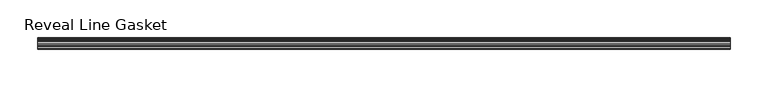
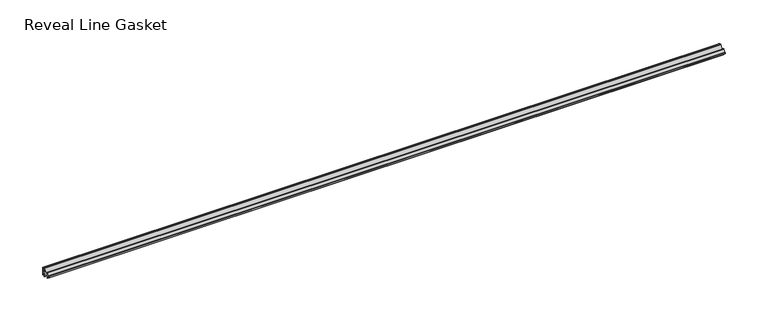
"""IFC4 building model written with IfcOpenShell, lengths in millimetres: furniture geometry, Reveal Line Gasket."""

from ifc_helpers import new_model, si_unit, point, frame, frame_2d, origin, place, context, project, spatial, polyline, circle_curve, trimmed, segment, composite_curve, outline, extrude, source, transform, mapped, element, save


def reveal_line_gasket_807b9065(model_context):
    return source(origin(), model_context, "Body", "SweptSolid", [
        extrude(outline(composite_curve([segment(polyline([(7.6326998, 1603.2), (7.6326998, 1597.2), (7.4091917, 1596.2445073), (6.8813059, 1595.3115316)]), True, "CONTINUOUS"), segment(trimmed(circle_curve(frame_2d((6.5243141, 1595.5135207)), 0.4101739), [point((6.8813059, 1595.3115316))], [point((6.1246704, 1595.6058653))], False, "CARTESIAN"), True, "CONTINUOUS"), segment(polyline([(6.1246704, 1595.6058653), (6.3626997, 1597.3020914), (6.3626997, 1599.3345473)]), True, "CONTINUOUS"), segment(trimmed(circle_curve(frame_2d((5.6959605, 1598.9180742)), 0.786124), [point((6.3626997, 1599.3345473))], [point((5.0926996, 1599.422125))], True, "CARTESIAN"), True, "CONTINUOUS"), segment(polyline([(5.0926996, 1599.422125), (0.7492996, 1599.422125), (3.7293824, 1594.2604705)]), True, "CONTINUOUS"), segment(trimmed(circle_curve(frame_2d((3.3132479, 1594.1950239)), 0.4212495), [point((3.7293824, 1594.2604705))], [point((3.0485022, 1593.8673642))], False, "CARTESIAN"), True, "CONTINUOUS"), segment(polyline([(3.0485022, 1593.8673642), (-0.5742594, 1599.422125), (-4.8262978, 1599.422125), (-3.1660374, 1596.5464703)]), True, "CONTINUOUS"), segment(trimmed(circle_curve(frame_2d((-3.5978728, 1596.4881145)), 0.4357605), [point((-3.1660374, 1596.5464703))], [point((-3.864328, 1596.1433119))], False, "CARTESIAN"), True, "CONTINUOUS"), segment(polyline([(-3.864328, 1596.1433119), (-6.1944059, 1599.422125), (-7.6326998, 1599.422125), (-7.6326998, 1600.977875), (-6.1944059, 1600.977875), (-3.864328, 1604.2566881)]), True, "CONTINUOUS"), segment(trimmed(circle_curve(frame_2d((-3.5978728, 1603.9118855)), 0.4357605), [point((-3.864328, 1604.2566881))], [point((-3.1660374, 1603.8535297))], False, "CARTESIAN"), True, "CONTINUOUS"), segment(polyline([(-3.1660374, 1603.8535297), (-4.8262978, 1600.977875), (-0.5742594, 1600.977875), (3.0485022, 1606.5326358)]), True, "CONTINUOUS"), segment(trimmed(circle_curve(frame_2d((3.3132479, 1606.2049761)), 0.4212495), [point((3.0485022, 1606.5326358))], [point((3.7293824, 1606.1395295))], False, "CARTESIAN"), True, "CONTINUOUS"), segment(polyline([(3.7293824, 1606.1395295), (0.7492996, 1600.977875), (5.0926996, 1600.977875)]), True, "CONTINUOUS"), segment(trimmed(circle_curve(frame_2d((5.6959605, 1601.4819258)), 0.786124), [point((5.0926996, 1600.977875))], [point((6.3626997, 1601.0654527))], True, "CARTESIAN"), True, "CONTINUOUS"), segment(polyline([(6.3626997, 1601.0654527), (6.3626997, 1603.0979086), (6.1246704, 1604.7941347)]), True, "CONTINUOUS"), segment(trimmed(circle_curve(frame_2d((6.5243141, 1604.8864793)), 0.4101739), [point((6.1246704, 1604.7941347))], [point((6.8813059, 1605.0884684))], False, "CARTESIAN"), True, "CONTINUOUS"), segment(polyline([(6.8813059, 1605.0884684), (7.4091917, 1604.1554927), (7.6326998, 1603.2)]), True, "CONTINUOUS")], self_intersect=False)), frame((-459.2490674, 0.0, 0.0), z_axis=(1.0, 0.0, 0.0), x_axis=(0.0, 1.0, 0.0)), (0.0, 0.0, 1.0), 918.4981348),
    ])


if __name__ == "__main__":
    model = new_model("IFC4")
    model_context = context("Model", 3, world=origin())
    ifc_project = project(units=[si_unit("LENGTHUNIT", "METRE", prefix="MILLI")], contexts=[model_context])
    site = spatial("IfcSite", under=ifc_project)
    building = spatial("IfcBuilding", under=site)
    placement = place(None, origin())
    reveal_line_gasket_shape = reveal_line_gasket_807b9065(model_context)
    element("IfcFurniture", 1, ObjectType="Reveal Line Gasket", at=placement, inside=building, context=model_context, shape_type="MappedRepresentation", body=[
        mapped(reveal_line_gasket_shape, transform((0.0, 0.0, 0.0), x_axis=(1.0, 0.0, 0.0), y_axis=(0.0, 1.0, 0.0), z_axis=(0.0, 0.0, 1.0))),
    ])
    save(model, "model.ifc")
